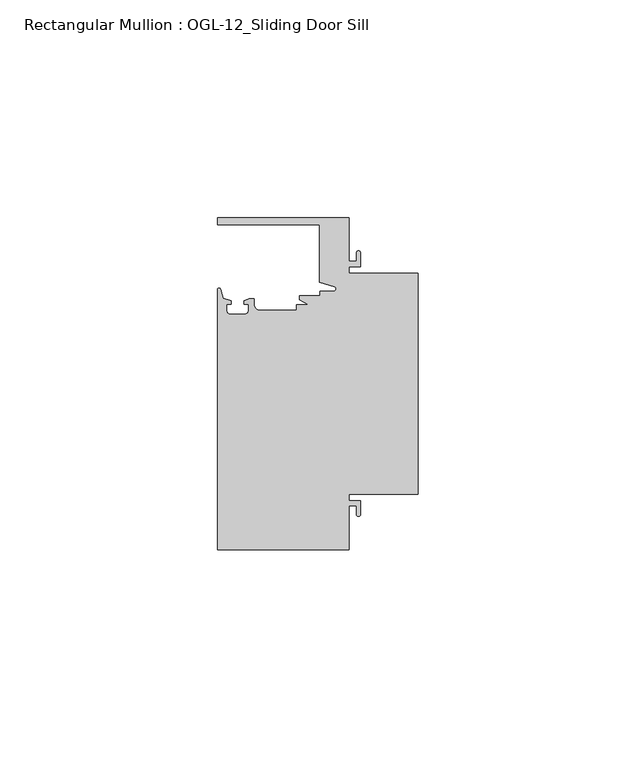
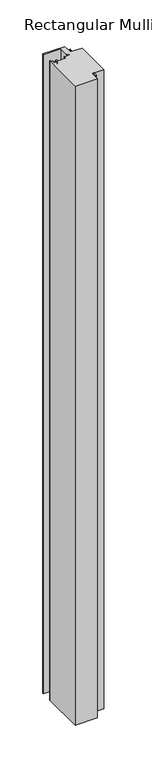
"""IFC4 building model written with IfcOpenShell, lengths in millimetres: member geometry, Rectangular Mullion : OGL-12_Sliding Door Sill."""

from ifc_helpers import new_model, si_unit, point, frame, frame_2d, origin, place, context, project, spatial, polyline, circle_curve, trimmed, segment, composite_curve, outline, extrude, source, transform, mapped, element, save


def rectangular_mullion_ogl_12_sliding_door_sill_8301df3c(model_context):
    return source(origin(), model_context, "Body", "SweptSolid", [
        extrude(outline(composite_curve([segment(polyline([(0.0, 25.4), (0.0, -25.4), (-15.934238, -25.4), (-15.934238, -26.8479425), (-13.2417195, -26.8479425), (-13.2417195, -30.0428503)]), True, "CONTINUOUS"), segment(trimmed(circle_curve(frame_2d((-13.6974747, -30.0428503)), 0.4557552), [point((-13.2417195, -30.0428503))], [point((-14.15323, -30.0428503))], False, "CARTESIAN"), True, "CONTINUOUS"), segment(polyline([(-14.15323, -30.0428503), (-14.15323, -28.0544425), (-15.934238, -28.0544425), (-15.934238, -38.1003208), (-46.0931306, -38.1003208), (-46.0931306, 21.6259141)]), True, "CONTINUOUS"), segment(trimmed(circle_curve(frame_2d((-45.7573546, 21.6259141)), 0.335776), [point((-46.0931306, 21.6259141))], [point((-45.434586, 21.7184665))], False, "CARTESIAN"), True, "CONTINUOUS"), segment(polyline([(-45.434586, 21.7184665), (-44.83413, 19.6244274), (-43.0244711, 19.0364336), (-43.0244711, 18.2246744), (-44.0028338, 18.2246744), (-44.0028338, 16.7746773)]), True, "CONTINUOUS"), segment(trimmed(circle_curve(frame_2d((-43.2028354, 16.7746773)), 0.7999984), [point((-44.0028338, 16.7746773))], [point((-43.2028354, 15.9746789))], True, "CARTESIAN"), True, "CONTINUOUS"), segment(polyline([(-43.2028354, 15.9746789), (-39.8028422, 15.9746789)]), True, "CONTINUOUS"), segment(trimmed(circle_curve(frame_2d((-39.8028422, 16.7746773)), 0.7999984), [point((-39.8028422, 15.9746789))], [point((-39.0028438, 16.7746773))], True, "CARTESIAN"), True, "CONTINUOUS"), segment(polyline([(-39.0028438, 16.7746773), (-39.0028438, 18.2246744), (-39.9812066, 18.2246744), (-39.9812066, 19.0676205), (-38.8813571, 19.4491353), (-37.7528423, 19.4819389), (-37.7528423, 18.2799969)]), True, "CONTINUOUS"), segment(trimmed(circle_curve(frame_2d((-36.3386331, 18.2778896)), 1.4142107), [point((-37.7528423, 18.2799969))], [point((-36.3386331, 16.8636789))], True, "CARTESIAN"), True, "CONTINUOUS"), segment(polyline([(-36.3386331, 16.8636789), (-27.9268052, 16.8636789), (-27.9268052, 18.1505375), (-25.1995125, 18.1505375), (-27.2970068, 19.265795), (-27.2970068, 20.2164975), (-22.6027094, 20.2164975), (-22.6027094, 21.2536528), (-19.3562398, 21.2536528)]), True, "CONTINUOUS"), segment(trimmed(circle_curve(frame_2d((-19.3562398, 21.789076)), 0.5354233), [point((-19.3562398, 21.2536528))], [point((-19.2086572, 22.3037579))], True, "CARTESIAN"), True, "CONTINUOUS"), segment(polyline([(-19.2086572, 22.3037579), (-22.6260049, 23.2836666), (-22.6260049, 36.5121792), (-46.0931306, 36.5121792), (-46.0931306, 38.0996792), (-15.934238, 38.0996792), (-15.934238, 28.0538009), (-14.15323, 28.0538009), (-14.15323, 30.0428503)]), True, "CONTINUOUS"), segment(trimmed(circle_curve(frame_2d((-13.6974747, 30.0428503)), 0.4557552), [point((-14.15323, 30.0428503))], [point((-13.2417195, 30.0428503))], False, "CARTESIAN"), True, "CONTINUOUS"), segment(polyline([(-13.2417195, 30.0428503), (-13.2417195, 26.8473009), (-15.934238, 26.8473009), (-15.934238, 25.4), (0.0, 25.4)]), True, "CONTINUOUS")], self_intersect=False)), frame((0.0, 0.0, -914.4), z_axis=(0.0, 0.0, 1.0), x_axis=(1.0, 0.0, 0.0)), (0.0, 0.0, 1.0), 914.4),
    ])


if __name__ == "__main__":
    model = new_model("IFC4")
    model_context = context("Model", 3, world=origin())
    ifc_project = project(units=[si_unit("LENGTHUNIT", "METRE", prefix="MILLI")], contexts=[model_context])
    site = spatial("IfcSite", under=ifc_project)
    building = spatial("IfcBuilding", under=site)
    placement = place(None, origin())
    rectangular_mullion_ogl_12_sliding_door_sill_shape = rectangular_mullion_ogl_12_sliding_door_sill_8301df3c(model_context)
    element("IfcMember", 1, ObjectType="Rectangular Mullion : OGL-12_Sliding Door Sill", at=placement, inside=building, context=model_context, shape_type="MappedRepresentation", body=[
        mapped(rectangular_mullion_ogl_12_sliding_door_sill_shape, transform((0.0, 0.0, 0.0), x_axis=(1.0, 0.0, 0.0), y_axis=(0.0, 1.0, 0.0), z_axis=(0.0, 0.0, 1.0))),
    ])
    save(model, "model.ifc")
